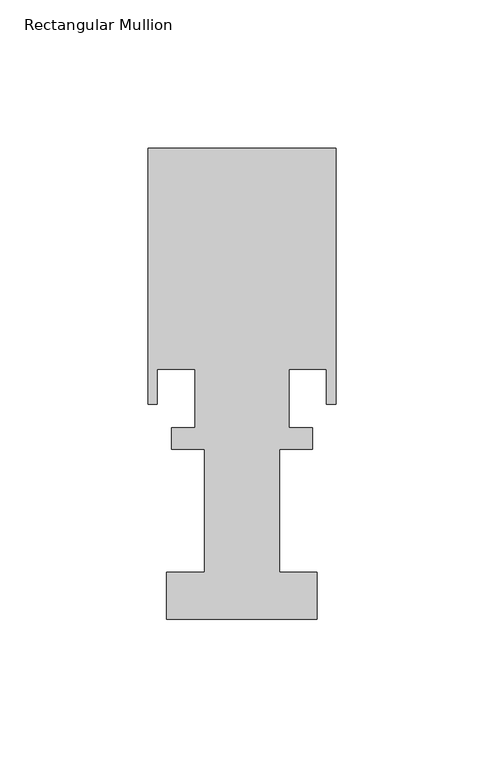
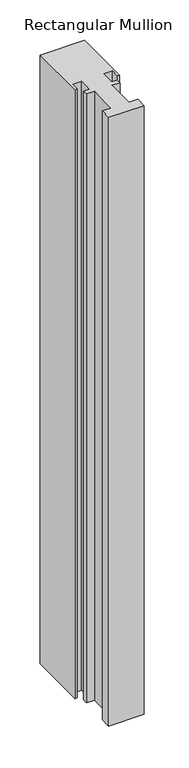
"""IFC4 building model written with IfcOpenShell, lengths in millimetres: member geometry, Rectangular Mullion."""

from ifc_helpers import new_model, si_unit, frame, origin, place, context, project, spatial, polyline, outline, extrude, source, transform, mapped, element, save


def rectangular_mullion_6349a129(model_context):
    return source(origin(), model_context, "Body", "SweptSolid", [
        extrude(outline(polyline([(-25.4, -55.8442813), (-25.4, -39.9692813), (-12.7, -39.9692813), (-12.7, 1.6867188), (-23.8252, 1.6867188), (-23.8252, 8.8495188), (-15.875, 8.8495188), (-15.875, 28.6615188), (-28.575, 28.6615188), (-28.575, 16.7489188), (-31.75, 16.7489188), (-31.75, 103.2867188), (31.75, 103.2867188), (31.75, 16.7489188), (28.575, 16.7489188), (28.575, 28.6615188), (15.875, 28.6615188), (15.875, 8.8495188), (23.8252, 8.8495188), (23.8252, 1.6867188), (12.7, 1.6867188), (12.7, -39.9692813), (25.4, -39.9692813), (25.4, -55.8442813), (-25.4, -55.8442813)])), frame((0.0, 0.0, -921.4911588), z_axis=(0.0, 0.0, 1.0), x_axis=(1.0, 0.0, 0.0)), (0.0, 0.0, 1.0), 921.4911588),
    ])


if __name__ == "__main__":
    model = new_model("IFC4")
    model_context = context("Model", 3, world=origin())
    ifc_project = project(units=[si_unit("LENGTHUNIT", "METRE", prefix="MILLI")], contexts=[model_context])
    site = spatial("IfcSite", under=ifc_project)
    building = spatial("IfcBuilding", under=site)
    placement = place(None, origin())
    rectangular_mullion_shape = rectangular_mullion_6349a129(model_context)
    element("IfcMember", 1, ObjectType="Rectangular Mullion", at=placement, inside=building, context=model_context, shape_type="MappedRepresentation", body=[
        mapped(rectangular_mullion_shape, transform((0.0, 0.0, 0.0), x_axis=(1.0, 0.0, 0.0), y_axis=(0.0, 1.0, 0.0), z_axis=(0.0, 0.0, 1.0))),
    ])
    save(model, "model.ifc")
